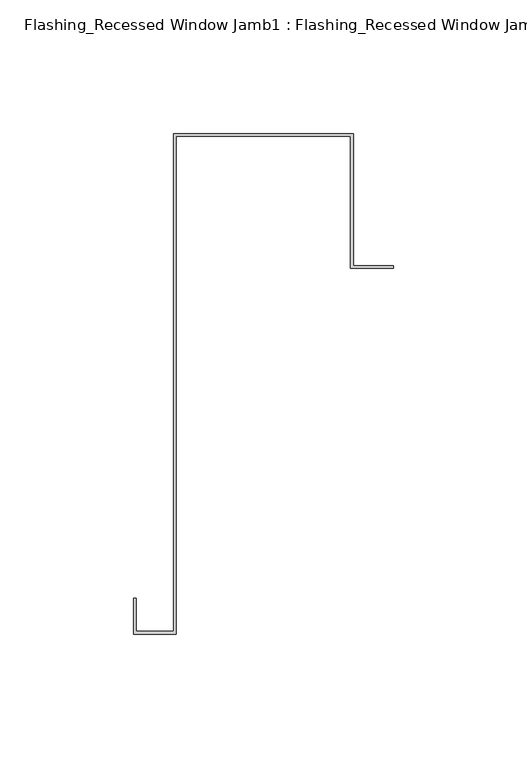
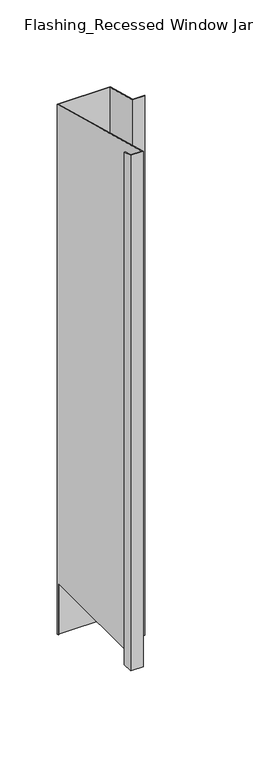
"""IFC4 building model written with IfcOpenShell, lengths in millimetres: proxy geometry, Flashing_Recessed Window Jamb1 : Flashing_Recessed Window Jamb."""

from ifc_helpers import new_model, si_unit, origin, place, context, project, spatial, faceted_brep, source, transform, mapped, element, save


def flashing_recessed_window_jamb1_flashing_recessed_window_jamb_89c4cbe1(model_context):
    return source(origin(), model_context, "Body", "Brep", [
        faceted_brep([(13692.8541786, 608.2365096, -1055.1751138), (13692.8541786, 657.7344915, -1055.1751138), (13627.4791786, 657.7344915, -1055.1751138), (13627.4791786, 656.8026399, -1055.1751138), (13626.4791786, 656.8026399, -1055.1751138), (13626.4791786, 658.7344915, -1055.1751138), (13693.8541786, 658.7344915, -1055.1751138), (13693.8541786, 609.2365096, -1055.1751138), (13708.8541786, 609.2365096, -1055.1751138), (13708.8541786, 608.2365096, -1055.1751138), (13693.8541786, 658.7344915, -343.2151173), (13693.8541786, 609.2365096, -329.952173), (13626.4791786, 658.7344915, -343.2151173), (13626.4791786, 656.8026399, -985.662203), (13626.4791786, 472.3615096, -985.662203), (13626.4791786, 472.3615096, -293.2766273), (13612.4791786, 472.3615096, -293.2766273), (13612.4791786, 472.3615096, -985.662203), (13612.4791786, 484.6872381, -296.5792963), (13612.4791786, 484.6872381, -985.662203), (13611.4791786, 484.6872381, -296.5792963), (13611.4791786, 484.6872381, -985.662203), (13611.4791786, 471.3615096, -293.0086781), (13611.4791786, 471.3615096, -985.662203), (13627.4791786, 471.3615096, -293.0086781), (13627.4791786, 471.3615096, -985.662203), (13627.4791786, 657.7344915, -342.9471681), (13627.4791786, 656.8026399, -985.662203), (13692.8541786, 657.7344915, -342.9471681), (13692.8541786, 608.2365096, -329.6842238), (13708.8541786, 608.2365096, -329.6842238), (13708.8541786, 609.2365096, -329.952173)], [[[0, 1, 2, 3, 4, 5, 6, 7, 8, 9]], [[7, 6, 10, 11]], [[6, 5, 12, 10]], [[12, 5, 4, 13, 14, 15]], [[16, 15, 14, 17]], [[18, 16, 17, 19]], [[20, 18, 19, 21]], [[22, 20, 21, 23]], [[24, 22, 23, 25]], [[2, 26, 24, 25, 27, 3]], [[2, 1, 28, 26]], [[1, 0, 29, 28]], [[11, 10, 12, 15, 16, 18, 20, 22, 24, 26, 28, 29, 30, 31]], [[0, 9, 30, 29]], [[9, 8, 31, 30]], [[8, 7, 11, 31]], [[13, 27, 25, 23, 21, 19, 17, 14]], [[27, 13, 4, 3]]]),
    ])


if __name__ == "__main__":
    model = new_model("IFC4")
    model_context = context("Model", 3, world=origin())
    ifc_project = project(units=[si_unit("LENGTHUNIT", "METRE", prefix="MILLI")], contexts=[model_context])
    site = spatial("IfcSite", under=ifc_project)
    building = spatial("IfcBuilding", under=site)
    placement = place(None, origin())
    flashing_recessed_window_jamb1_flashing_recessed_window_jamb_shape = flashing_recessed_window_jamb1_flashing_recessed_window_jamb_89c4cbe1(model_context)
    element("IfcBuildingElementProxy", 1, Name="Flashing_Recessed Window Jamb1 : Flashing_Recessed Window Jamb", ObjectType="Flashing_Recessed Window Jamb1 : Flashing_Recessed Window Jamb", at=placement, inside=building, context=model_context, shape_type="MappedRepresentation", body=[
        mapped(flashing_recessed_window_jamb1_flashing_recessed_window_jamb_shape, transform((0.0, 0.0, 0.0), x_axis=(1.0, 0.0, 0.0), y_axis=(0.0, 1.0, 0.0), z_axis=(0.0, 0.0, 1.0))),
    ])
    save(model, "model.ifc")
